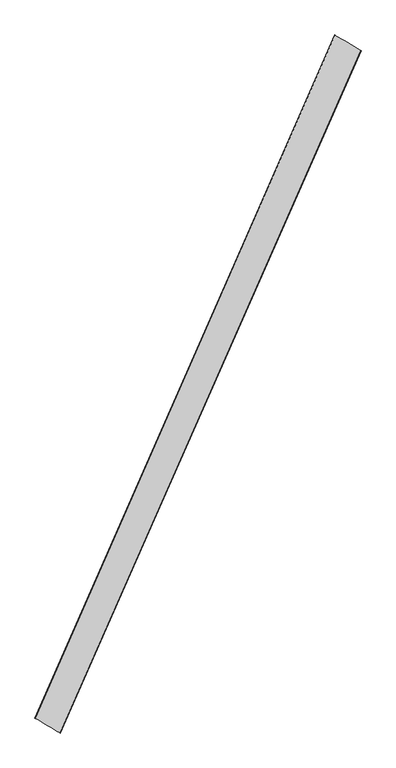
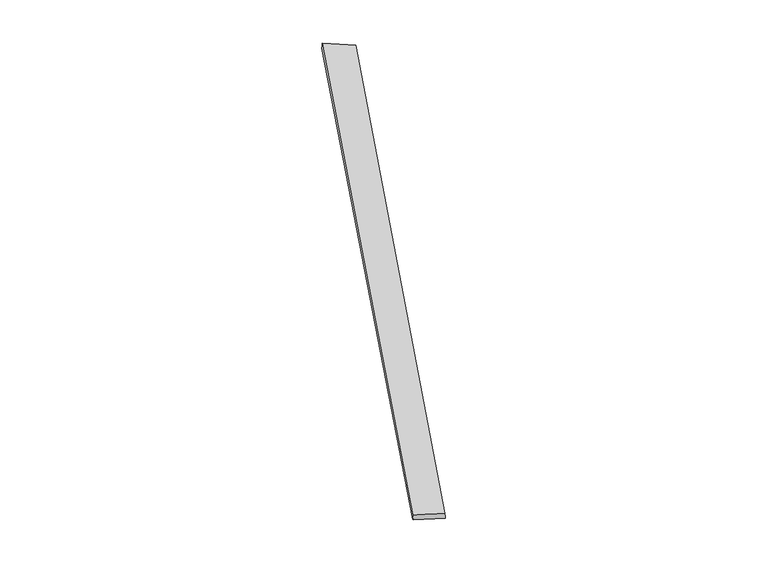
"""IFC4 building model written with IfcOpenShell, lengths in millimetres: proxy geometry."""

from ifc_helpers import new_model, si_unit, origin, place, context, project, spatial, source, transform, mapped, element, save
from ifc_brep_helpers import spline_surface, advanced_brep


def generic_models_e33d6b3d(model_context):
    return source(origin(), model_context, "Body", "AdvancedBrep", [
        advanced_brep(
        [(-671.8042462, -1701.9040903, 5.3825363), (-670.2592093, -1702.6711919, -24.5678296), (959.3763759, 1999.5079316, -35.1367136), (960.8818064, 1998.9292851, -5.1800975), (-806.3699121, -1622.2726414, -35.2841792), (817.6846721, 2085.245552, -24.7531098), (-808.5945447, -1621.3804486, -5.3800824), (819.5169846, 2084.3552538, 5.1776436)],
        [
            (0, 1),
            (1, 2),
            (2, 3),
            (3, 0),
            (1, 4),
            (4, 5),
            (5, 2),
            (4, 6),
            (6, 7),
            (7, 5),
            (6, 0),
            (3, 7),
        ],
        [
            spline_surface(1, 1, [[(-671.8042462, -1701.9040903, 5.3825363), (960.8818064, 1998.9292851, -5.1800975)], [(-670.2592093, -1702.6711919, -24.5678296), (959.3763759, 1999.5079316, -35.1367136)]], [2, 2], [2, 2], [0.0, 1.0], [0.0, 1.0]),
            spline_surface(1, 1, [[(-670.2592093, -1702.6711919, -24.5678296), (959.3763759, 1999.5079316, -35.1367136)], [(-806.3699121, -1622.2726414, -35.2841792), (817.6846721, 2085.245552, -24.7531098)]], [2, 2], [2, 2], [0.0, 1.0], [0.0, 1.0]),
            spline_surface(1, 1, [[(-806.3699121, -1622.2726414, -35.2841792), (817.6846721, 2085.245552, -24.7531098)], [(-808.5945447, -1621.3804486, -5.3800824), (819.5169846, 2084.3552538, 5.1776436)]], [2, 2], [2, 2], [0.0, 1.0], [0.0, 1.0]),
            spline_surface(1, 1, [[(-808.5945447, -1621.3804486, -5.3800824), (819.5169846, 2084.3552538, 5.1776436)], [(-671.8042462, -1701.9040903, 5.3825363), (960.8818064, 1998.9292851, -5.1800975)]], [2, 2], [2, 2], [0.0, 1.0], [0.0, 1.0]),
            spline_surface(1, 1, [[(959.3763759, 1999.5079316, -35.1367136), (960.8818064, 1998.9292851, -5.1800975)], [(817.6846721, 2085.245552, -24.7531098), (819.5169846, 2084.3552538, 5.1776436)]], [2, 2], [2, 2], [0.0, 1.0], [0.0, 1.0]),
            spline_surface(1, 1, [[(-808.5945447, -1621.3804486, -5.3800824), (-671.8042462, -1701.9040903, 5.3825363)], [(-806.3699121, -1622.2726414, -35.2841792), (-670.2592093, -1702.6711919, -24.5678296)]], [2, 2], [2, 2], [0.0, 1.0], [0.0, 1.0]),
        ],
        [
            (0, [[1, 2, 3, 4]]),
            (1, [[5, 6, 7, -2]]),
            (2, [[8, 9, 10, -6]]),
            (3, [[11, -4, 12, -9]]),
            (4, [[-3, -7, -10, -12]]),
            (5, [[-11, -8, -5, -1]]),
        ],
    ),
    ])


if __name__ == "__main__":
    model = new_model("IFC4")
    model_context = context("Model", 3, world=origin())
    ifc_project = project(units=[si_unit("LENGTHUNIT", "METRE", prefix="MILLI")], contexts=[model_context])
    site = spatial("IfcSite", under=ifc_project)
    building = spatial("IfcBuilding", under=site)
    placement = place(None, origin())
    generic_models_shape = generic_models_e33d6b3d(model_context)
    element("IfcBuildingElementProxy", 1, Name="Generic Models", at=placement, inside=building, context=model_context, shape_type="MappedRepresentation", body=[
        mapped(generic_models_shape, transform((0.0, 0.0, 0.0), x_axis=(1.0, 0.0, 0.0), y_axis=(0.0, 1.0, 0.0), z_axis=(0.0, 0.0, 1.0))),
    ])
    save(model, "model.ifc")
